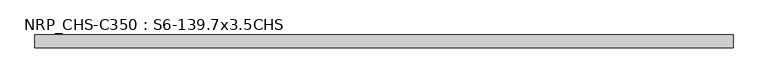
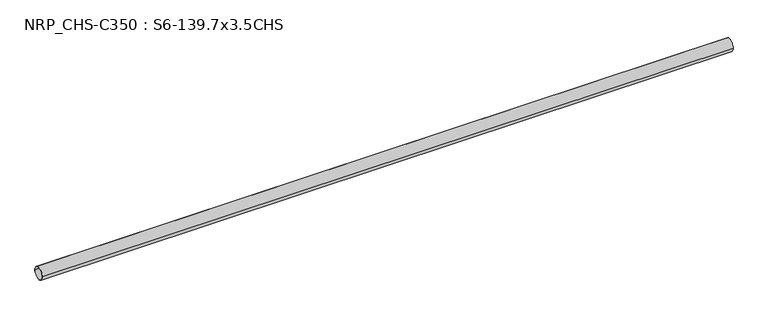
"""IFC4 building model written with IfcOpenShell, lengths in millimetres: beam geometry, NRP_CHS-C350 : S6-139.7x3.5CHS."""

from ifc_helpers import new_model, si_unit, point, frame, origin, origin_2d, place, context, project, spatial, circle_curve, trimmed, segment, composite_curve, outline, extrude, source, transform, mapped, element, save


def nrp_chs_c350_s6_139_7x3_5chs_582618e8(model_context):
    return source(origin(), model_context, "Body", "SweptSolid", [
        extrude(outline(composite_curve([segment(trimmed(circle_curve(origin_2d(), 69.85), [point((-69.85, 0.0))], [point((69.85, 0.0))], False, "CARTESIAN"), True, "CONTINUOUS"), segment(trimmed(circle_curve(origin_2d(), 69.85), [point((69.85, 0.0))], [point((-69.85, 0.0))], False, "CARTESIAN"), True, "CONTINUOUS")], self_intersect=False), holes=[composite_curve([segment(trimmed(circle_curve(origin_2d(), 66.35), [point((66.35, 0.0))], [point((-66.35, 0.0))], True, "CARTESIAN"), True, "CONTINUOUS"), segment(trimmed(circle_curve(origin_2d(), 66.35), [point((-66.35, 0.0))], [point((66.35, 0.0))], True, "CARTESIAN"), True, "CONTINUOUS")], self_intersect=False)]), frame((-3849.15, 0.0, 0.0), z_axis=(1.0, 0.0, 0.0), x_axis=(0.0, 1.0, 0.0)), (0.0, 0.0, 1.0), 7631.5),
    ])


if __name__ == "__main__":
    model = new_model("IFC4")
    model_context = context("Model", 3, world=origin())
    ifc_project = project(units=[si_unit("LENGTHUNIT", "METRE", prefix="MILLI")], contexts=[model_context])
    site = spatial("IfcSite", under=ifc_project)
    building = spatial("IfcBuilding", under=site)
    placement = place(None, origin())
    nrp_chs_c350_s6_139_7x3_5chs_shape = nrp_chs_c350_s6_139_7x3_5chs_582618e8(model_context)
    element("IfcBeam", 1, ObjectType="NRP_CHS-C350 : S6-139.7x3.5CHS", at=placement, inside=building, context=model_context, shape_type="MappedRepresentation", body=[
        mapped(nrp_chs_c350_s6_139_7x3_5chs_shape, transform((0.0, 0.0, 0.0), x_axis=(1.0, 0.0, 0.0), y_axis=(0.0, 1.0, 0.0), z_axis=(0.0, 0.0, 1.0))),
    ])
    save(model, "model.ifc")
